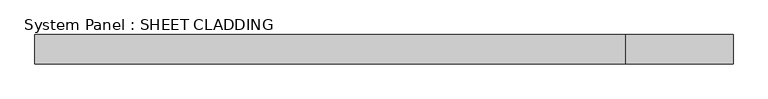
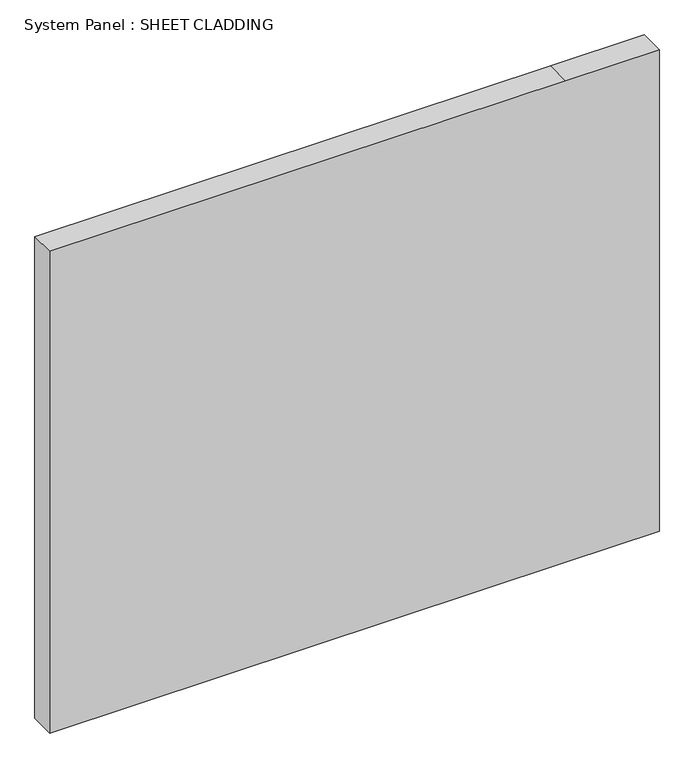
"""IFC4 building model written with IfcOpenShell, lengths in millimetres: plate geometry, System Panel : SHEET CLADDING."""

import ifcopenshell
import ifcopenshell.guid

model = None  # the IFC model being written
_history = None  # IfcOwnerHistory: only IFC2X3 demands one
_inside = {}  # id of a spatial element -> (the spatial element, [elements in it])
_under = {}  # id of a project, library or spatial element -> (it, [spatial elements below it])
_declared = {}  # id of a project -> (the project, [libraries it declares])
_typed = {}  # id of a type object -> (the type object, [elements of that type])
_made_of = {}  # id of a material, layer set ... -> (it, [elements and type objects made of it])


def new_model(schema):
    """Start an empty IFC model of exactly this schema.

    Asked for "IFC4X3", IfcOpenShell would pick the latest addendum, in which some entities
    have other attributes; the version numbers below select the first issue.
    IFC2X3 requires an IfcOwnerHistory on every rooted entity: one is made here for all.
    """
    global model, _history
    if schema == "IFC4X3":
        model = ifcopenshell.file(schema_version=(4, 3, 0, 0))
    else:
        model = ifcopenshell.file(schema=schema)
    _inside.clear()
    _under.clear()
    _declared.clear()
    _typed.clear()
    _made_of.clear()
    _history = None
    if model.schema == "IFC2X3":
        org = make("IfcOrganization", Name="unknown")
        user = make(
            "IfcPersonAndOrganization",
            ThePerson=make("IfcPerson", FamilyName="unknown"),
            TheOrganization=org,
        )
        app = make(
            "IfcApplication",
            ApplicationDeveloper=org,
            Version="unknown",
            ApplicationFullName="unknown",
            ApplicationIdentifier="unknown",
        )
        _history = make(
            "IfcOwnerHistory",
            OwningUser=user,
            OwningApplication=app,
            ChangeAction="ADDED",
            CreationDate=0,
        )
    return model


def make(cls, **values):
    """One entity of the class cls with the attributes given. An attribute that is None is left unset."""
    return model.create_entity(
        cls, **{name: value for name, value in values.items() if value is not None}
    )


def rooted(cls, **values):
    """An entity with a GlobalId (a new one), such as an element, a storey or a relation."""
    return make(cls, GlobalId=ifcopenshell.guid.new(), OwnerHistory=_history, **values)


def si_unit(unit_type, name, prefix=None):
    """IfcSIUnit, for example si_unit("LENGTHUNIT", "METRE", prefix="MILLI")."""
    return make("IfcSIUnit", UnitType=unit_type, Prefix=prefix, Name=name)


def assignment(units):
    """IfcUnitAssignment: the units of a project."""
    return None if units is None else make("IfcUnitAssignment", Units=units)


def point(xyz):
    """IfcCartesianPoint."""
    return None if xyz is None else make("IfcCartesianPoint", Coordinates=xyz)


def direction(xyz):
    """IfcDirection."""
    return None if xyz is None else make("IfcDirection", DirectionRatios=xyz)


def frame(location, z_axis=None, x_axis=None):
    """IfcAxis2Placement3D, a coordinate frame: its origin and axes. An axis left out is left unset."""
    return make(
        "IfcAxis2Placement3D",
        Location=point(location),
        Axis=direction(z_axis),
        RefDirection=direction(x_axis),
    )


def origin():
    """The frame at (0, 0, 0) with its axes left unset."""
    return frame((0.0, 0.0, 0.0))


def place(relative_to, where):
    """IfcLocalPlacement: puts the frame where relative to a parent placement (None: the world)."""
    return make(
        "IfcLocalPlacement", PlacementRelTo=relative_to, RelativePlacement=where
    )


def context(
    kind, dimensions, precision=None, world=None, true_north=None, identifier=None
):
    """IfcGeometricRepresentationContext, for example the 3D "Model" context."""
    return make(
        "IfcGeometricRepresentationContext",
        ContextIdentifier=identifier,
        ContextType=kind,
        CoordinateSpaceDimension=dimensions,
        Precision=precision,
        WorldCoordinateSystem=world,
        TrueNorth=true_north,
    )


def project(units=None, contexts=None):
    """IfcProject with its units and contexts."""
    return rooted(
        "IfcProject",
        Name="project",
        RepresentationContexts=contexts,
        UnitsInContext=assignment(units),
    )


def spatial(cls, under=None, at=None, **own):
    """A site, building, storey or space (cls), placed at a placement, below another one or the project."""
    s = rooted(cls, ObjectPlacement=at, **own)
    if under is not None:
        _under.setdefault(under.id(), (under, []))[1].append(s)
    return s


def polyline(points):
    """IfcPolyline through the points."""
    return make("IfcPolyline", Points=[point(p) for p in points])


def outline(outer, holes=None, kind="AREA"):
    """IfcArbitraryClosedProfileDef: a profile drawn as a closed curve; with holes, ...WithVoids."""
    if holes is None:
        return make("IfcArbitraryClosedProfileDef", ProfileType=kind, OuterCurve=outer)
    return make(
        "IfcArbitraryProfileDefWithVoids",
        ProfileType=kind,
        OuterCurve=outer,
        InnerCurves=holes,
    )


def extrude(swept, where, along, depth):
    """IfcExtrudedAreaSolid: the profile swept, set in the frame where, extruded along a direction by depth."""
    return make(
        "IfcExtrudedAreaSolid",
        SweptArea=swept,
        Position=where,
        ExtrudedDirection=direction(along),
        Depth=depth,
    )


def shape(context_of_items, identifier, shape_type, items):
    """IfcShapeRepresentation: the items that make up one representation, for example the "Body"."""
    return make(
        "IfcShapeRepresentation",
        ContextOfItems=context_of_items,
        RepresentationIdentifier=identifier,
        RepresentationType=shape_type,
        Items=items,
    )


def source(mapping_origin, context_of_items, identifier, shape_type, items):
    """IfcRepresentationMap: a shape defined once, which mapped items show again and again."""
    return make(
        "IfcRepresentationMap",
        MappingOrigin=mapping_origin,
        MappedRepresentation=shape(context_of_items, identifier, shape_type, items),
    )


def transform(
    local_origin,
    x_axis=None,
    y_axis=None,
    z_axis=None,
    scale=None,
    scale2=None,
    scale3=None,
    uniform=True,
):
    """IfcCartesianTransformationOperator3D, or its non-uniform kind. x_axis, y_axis, z_axis: its Axis1, 2, 3."""
    if uniform:
        return make(
            "IfcCartesianTransformationOperator3D",
            Axis1=direction(x_axis),
            Axis2=direction(y_axis),
            LocalOrigin=point(local_origin),
            Scale=scale,
            Axis3=direction(z_axis),
        )
    return make(
        "IfcCartesianTransformationOperator3DnonUniform",
        Axis1=direction(x_axis),
        Axis2=direction(y_axis),
        LocalOrigin=point(local_origin),
        Scale=scale,
        Axis3=direction(z_axis),
        Scale2=scale2,
        Scale3=scale3,
    )


def mapped(mapping_source, mapping_target):
    """IfcMappedItem: shows the shape of a source again, moved by a transform."""
    return make(
        "IfcMappedItem", MappingSource=mapping_source, MappingTarget=mapping_target
    )


def made_of(thing, what):
    """Note that an element or type object is made of a material, layer set ...; save() writes the relation."""
    if what is not None:
        _made_of.setdefault(what.id(), (what, []))[1].append(thing)
    return thing


def element(
    cls,
    number,
    at=None,
    inside=None,
    cuts=None,
    type_object=None,
    material=None,
    context=None,
    identifier="Body",
    shape_type=None,
    held_by="IfcProductDefinitionShape",
    body=None,
    shapes=None,
    **own,
):
    """One element of the class cls, such as IfcWall. Its Tag is "e" and its number.

    at: its placement. inside: the storey or other place that contains it. cuts: it is an
    opening in that element (IfcRelVoidsElement). A single representation is given by context,
    identifier, shape_type and body (its items); several are given by shapes. held_by: the class
    of the entity that holds the representations. save() writes the other relations.
    """
    e = rooted(cls, Tag="e%d" % number, ObjectPlacement=at, **own)
    if body is not None:
        shapes = [shape(context, identifier, shape_type, body)]
    if shapes is not None:
        e.Representation = make(held_by, Representations=shapes)
    if inside is not None:
        _inside.setdefault(inside.id(), (inside, []))[1].append(e)
    if cuts is not None:
        rooted(
            "IfcRelVoidsElement", RelatingBuildingElement=cuts, RelatedOpeningElement=e
        )
    if type_object is not None:
        _typed.setdefault(type_object.id(), (type_object, []))[1].append(e)
    return made_of(e, material)


def aggregate(whole, parts):
    """IfcRelAggregates: a whole, such as a stair, and the parts it consists of."""
    return rooted("IfcRelAggregates", RelatingObject=whole, RelatedObjects=parts)


def save(model, path):
    """Write the relations noted so far, then the file.

    IfcRelAggregates (storeys below a building ...), IfcRelContainedInSpatialStructure (elements
    in a storey), IfcRelDefinesByType, IfcRelAssociatesMaterial and IfcRelDeclares: one each for
    every whole, place, type object, material and project.
    """
    for whole, parts in _under.values():
        aggregate(whole, parts)
    for where, things in _inside.values():
        rooted(
            "IfcRelContainedInSpatialStructure",
            RelatedElements=things,
            RelatingStructure=where,
        )
    for kind, things in _typed.values():
        rooted("IfcRelDefinesByType", RelatedObjects=things, RelatingType=kind)
    for what, things in _made_of.values():
        rooted("IfcRelAssociatesMaterial", RelatedObjects=things, RelatingMaterial=what)
    for by, libraries in _declared.values():
        rooted("IfcRelDeclares", RelatingContext=by, RelatedDefinitions=libraries)
    model.write(path)


def system_panel_sheet_cladding_97bb2fd5(model_context):
    return source(origin(), model_context, "Body", "SweptSolid", [
        extrude(outline(polyline([(0.0, -718.75), (0.0, 497.5961538), (0.0, 718.75), (1200.0, 718.75), (1200.0, 497.5961538), (1200.0, -718.75), (0.0, -718.75)])), frame((0.0, -49.5, 0.0), z_axis=(0.0, 1.0, 0.0), x_axis=(0.0, 0.0, 1.0)), (0.0, 0.0, 1.0), 60.0),
    ])


if __name__ == "__main__":
    model = new_model("IFC4")
    model_context = context("Model", 3, world=origin())
    ifc_project = project(units=[si_unit("LENGTHUNIT", "METRE", prefix="MILLI")], contexts=[model_context])
    site = spatial("IfcSite", under=ifc_project)
    building = spatial("IfcBuilding", under=site)
    placement = place(None, origin())
    system_panel_sheet_cladding_shape = system_panel_sheet_cladding_97bb2fd5(model_context)
    element("IfcPlate", 1, ObjectType="System Panel : SHEET CLADDING", at=placement, inside=building, context=model_context, shape_type="MappedRepresentation", body=[
        mapped(system_panel_sheet_cladding_shape, transform((0.0, 0.0, 0.0), x_axis=(1.0, 0.0, 0.0), y_axis=(0.0, 1.0, 0.0), z_axis=(0.0, 0.0, 1.0))),
    ])
    save(model, "model.ifc")
